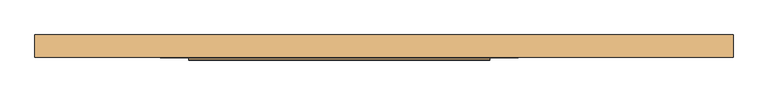
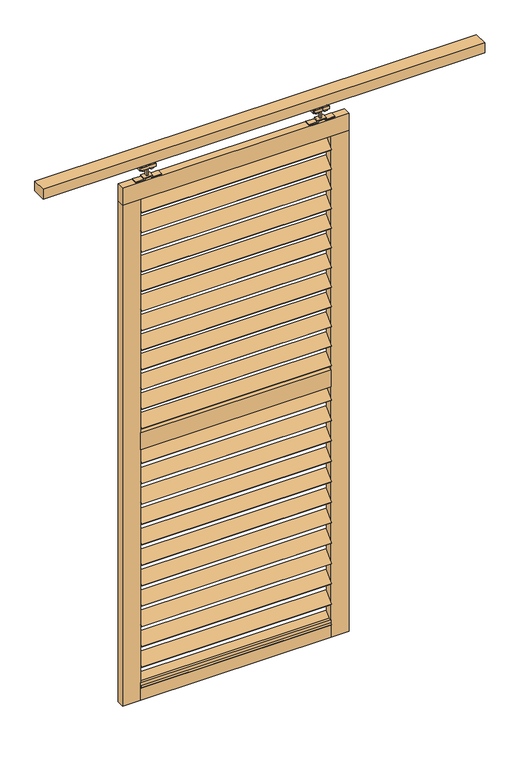
"""IFC4 building model written with IfcOpenShell, lengths in millimetres: door geometry."""

from ifc_helpers import new_model, si_unit, point, frame, frame_2d, origin, place, context, project, spatial, polyline, circle_curve, trimmed, segment, composite_curve, outline, extrude, source, transform, mapped, element, save


def door_1eaf0490(model_context):
    return source(origin(), model_context, "Body", "SweptSolid", [
        extrude(outline(polyline([(0.0, -5.0), (0.0, 0.0), (840.0, 0.0), (840.0, -5.0), (0.0, -5.0)])), frame((-472.5, -24.1880102, 2194.4281205), z_axis=(0.0, 0.7071067811865482, 0.707106781186547), x_axis=(1.0, 0.0, 0.0)), (0.0, 0.0, 1.0), 60.0),
        extrude(outline(polyline([(0.0, -5.0), (0.0, 0.0), (840.0, 0.0), (840.0, -5.0), (0.0, -5.0)])), frame((-472.5, -24.1880102, 1023.2917569), z_axis=(0.0, 0.7071067811865482, 0.707106781186547), x_axis=(1.0, 0.0, 0.0)), (0.0, 0.0, 1.0), 60.0),
        extrude(outline(polyline([(0.0, -5.0), (0.0, 0.0), (840.0, 0.0), (840.0, -5.0), (0.0, -5.0)])), frame((-472.5, -24.1880102, 2102.8372114), z_axis=(0.0, 0.7071067811865482, 0.707106781186547), x_axis=(1.0, 0.0, 0.0)), (0.0, 0.0, 1.0), 60.0),
        extrude(outline(polyline([(0.0, -5.0), (0.0, 0.0), (840.0, 0.0), (840.0, -5.0), (0.0, -5.0)])), frame((-472.5, -24.1880102, 2011.2463023), z_axis=(0.0, 0.7071067811865482, 0.707106781186547), x_axis=(1.0, 0.0, 0.0)), (0.0, 0.0, 1.0), 60.0),
        extrude(outline(polyline([(0.0, -5.0000001), (0.0, 0.0), (840.0, 0.0), (840.0, -5.0000001), (0.0, -5.0000001)])), frame((-472.5, -24.1880102, 1919.6553932), z_axis=(0.0, 0.7071067811865482, 0.707106781186547), x_axis=(1.0, 0.0, 0.0)), (0.0, 0.0, 1.0), 60.0),
        extrude(outline(polyline([(0.0, -5.0), (0.0, 0.0), (840.0, 0.0), (840.0, -5.0), (0.0, -5.0)])), frame((-472.5, -24.1880102, 1828.0644842), z_axis=(0.0, 0.7071067811865482, 0.707106781186547), x_axis=(1.0, 0.0, 0.0)), (0.0, 0.0, 1.0), 60.0),
        extrude(outline(polyline([(0.0, -5.0), (0.0, 0.0), (840.0, 0.0), (840.0, -5.0), (0.0, -5.0)])), frame((-472.5, -24.1880102, 928.0644842), z_axis=(0.0, 0.7071067811865482, 0.707106781186547), x_axis=(1.0, 0.0, 0.0)), (0.0, 0.0, 1.0), 60.0),
        extrude(outline(polyline([(0.0, -5.0), (0.0, 0.0), (840.0, 0.0), (840.0, -5.0), (0.0, -5.0)])), frame((-472.5, -24.1880102, 832.8372114), z_axis=(0.0, 0.7071067811865482, 0.707106781186547), x_axis=(1.0, 0.0, 0.0)), (0.0, 0.0, 1.0), 60.0),
        extrude(outline(polyline([(0.0, -5.0), (0.0, 0.0), (840.0, 0.0), (840.0, -5.0), (0.0, -5.0)])), frame((-472.5, -24.1880102, 737.6099387), z_axis=(0.0, 0.7071067811865482, 0.707106781186547), x_axis=(1.0, 0.0, 0.0)), (0.0, 0.0, 1.0), 60.0),
        extrude(outline(polyline([(0.0, -5.0), (0.0, 0.0), (840.0, 0.0), (840.0, -5.0), (0.0, -5.0)])), frame((-472.5, -24.1880102, 642.382666), z_axis=(0.0, 0.7071067811865482, 0.707106781186547), x_axis=(1.0, 0.0, 0.0)), (0.0, 0.0, 1.0), 60.0),
        extrude(outline(polyline([(0.0, -5.0), (0.0, 0.0), (840.0, 0.0), (840.0, -5.0), (0.0, -5.0)])), frame((-472.5, -24.1880102, 1736.4735751), z_axis=(0.0, 0.7071067811865482, 0.707106781186547), x_axis=(1.0, 0.0, 0.0)), (0.0, 0.0, 1.0), 60.0),
        extrude(outline(polyline([(0.0, -5.0), (0.0, 0.0), (840.0, 0.0), (840.0, -5.0), (0.0, -5.0)])), frame((-472.5, -24.1880102, 1644.882666), z_axis=(0.0, 0.7071067811865482, 0.707106781186547), x_axis=(1.0, 0.0, 0.0)), (0.0, 0.0, 1.0), 60.0),
        extrude(outline(polyline([(0.0, -5.0), (0.0, 0.0), (840.0, 0.0), (840.0, -5.0), (0.0, -5.0)])), frame((-472.5, -24.1880102, 1553.2917569), z_axis=(0.0, 0.7071067811865482, 0.707106781186547), x_axis=(1.0, 0.0, 0.0)), (0.0, 0.0, 1.0), 60.0),
        extrude(outline(polyline([(0.0, -5.0), (0.0, 0.0), (840.0, 0.0), (840.0, -5.0), (0.0, -5.0)])), frame((-472.5, -24.1880102, 1461.7008478), z_axis=(0.0, 0.7071067811865482, 0.707106781186547), x_axis=(1.0, 0.0, 0.0)), (0.0, 0.0, 1.0), 60.0),
        extrude(outline(polyline([(0.0, -5.0), (0.0, 0.0), (840.0, 0.0), (840.0, -5.0), (0.0, -5.0)])), frame((-472.5, -24.1880102, 1370.1099387), z_axis=(0.0, 0.7071067811865482, 0.707106781186547), x_axis=(1.0, 0.0, 0.0)), (0.0, 0.0, 1.0), 60.0),
        extrude(outline(polyline([(0.0, -5.0), (0.0, 0.0), (840.0, 0.0), (840.0, -5.0), (0.0, -5.0)])), frame((-472.5, -24.1880102, 2286.0190296), z_axis=(0.0, 0.7071067811865482, 0.707106781186547), x_axis=(1.0, 0.0, 0.0)), (0.0, 0.0, 1.0), 60.0),
        extrude(outline(polyline([(0.0, -5.0), (0.0, 0.0), (840.0, 0.0), (840.0, -5.0), (0.0, -5.0)])), frame((-472.5, -24.1880102, 1278.5190296), z_axis=(0.0, 0.7071067811865482, 0.707106781186547), x_axis=(1.0, 0.0, 0.0)), (0.0, 0.0, 1.0), 60.0),
        extrude(outline(polyline([(0.0, -5.0000001), (0.0, 0.0), (840.0, 0.0), (840.0, -5.0000001), (0.0, -5.0000001)])), frame((-472.5, -24.1880102, 547.1553932), z_axis=(0.0, 0.7071067811865482, 0.707106781186547), x_axis=(1.0, 0.0, 0.0)), (0.0, 0.0, 1.0), 60.0),
        extrude(outline(polyline([(0.0, -5.0), (0.0, 0.0), (840.0, 0.0), (840.0, -5.0), (0.0, -5.0)])), frame((-472.5, -24.1880102, 451.9281205), z_axis=(0.0, 0.7071067811865482, 0.707106781186547), x_axis=(1.0, 0.0, 0.0)), (0.0, 0.0, 1.0), 60.0),
        extrude(outline(polyline([(0.0, -5.0), (0.0, 0.0), (840.0, 0.0), (840.0, -5.0), (0.0, -5.0)])), frame((-472.5, -24.1880102, 356.7008478), z_axis=(0.0, 0.7071067811865482, 0.707106781186547), x_axis=(1.0, 0.0, 0.0)), (0.0, 0.0, 1.0), 60.0),
        extrude(outline(polyline([(0.0, -5.0), (0.0, 0.0), (840.0, 0.0), (840.0, -5.0), (0.0, -5.0)])), frame((-472.5, -24.1880102, 261.4735751), z_axis=(0.0, 0.7071067811865482, 0.707106781186547), x_axis=(1.0, 0.0, 0.0)), (0.0, 0.0, 1.0), 60.0),
        extrude(outline(polyline([(0.0, -5.0), (0.0, 0.0), (840.0, 0.0), (840.0, -5.0), (0.0, -5.0)])), frame((-472.5, -24.1880102, 166.2463023), z_axis=(0.0, 0.7071067811865482, 0.707106781186547), x_axis=(1.0, 0.0, 0.0)), (0.0, 0.0, 1.0), 60.0),
        extrude(outline(polyline([(0.0, -5.0), (0.0, 0.0), (840.0, 0.0), (840.0, -5.0), (0.0, -5.0)])), frame((-472.5, -24.1880102, 1118.5190296), z_axis=(0.0, 0.7071067811865482, 0.707106781186547), x_axis=(1.0, 0.0, 0.0)), (0.0, 0.0, 1.0), 60.0),
        extrude(outline(polyline([(0.0, -5.0), (0.0, 0.0), (840.0, 0.0), (840.0, -5.0), (0.0, -5.0)])), frame((-472.5, -24.1880102, 71.0190296), z_axis=(0.0, 0.7071067811865482, 0.707106781186547), x_axis=(1.0, 0.0, 0.0)), (0.0, 0.0, 1.0), 60.0),
        extrude(outline(polyline([(367.5, -22.2425737), (-472.5, -22.2425737), (-472.5, 12.7574263), (367.5, 12.7574263), (367.5, -22.2425737)])), frame((0.0, 0.0, 1181.5), z_axis=(0.0, 0.0, 1.0), x_axis=(1.0, 0.0, 0.0)), (0.0, 0.0, 1.0), 80.0),
        extrude(outline(polyline([(367.5, -22.2425737), (-472.5, -22.2425737), (-472.5, 12.7574263), (367.5, 12.7574263), (367.5, -22.2425737)])), frame((0.0, 0.0, 14.0), z_axis=(0.0, 0.0, 1.0), x_axis=(1.0, 0.0, 0.0)), (0.0, 0.0, 1.0), 80.0),
        extrude(outline(polyline([(447.5, -22.2425737), (-552.5, -22.2425737), (-552.5, 12.7574263), (447.5, 12.7574263), (447.5, -22.2425737)])), frame((0.0, 0.0, 2349.0), z_axis=(0.0, 0.0, 1.0), x_axis=(1.0, 0.0, 0.0)), (0.0, 0.0, 1.0), 80.0),
        extrude(outline(polyline([(-472.5, -22.2425737), (-552.5, -22.2425737), (-552.5, 12.7574263), (-472.5, 12.7574263), (-472.5, -22.2425737)])), frame((0.0, 0.0, 14.0), z_axis=(0.0, 0.0, 1.0), x_axis=(1.0, 0.0, 0.0)), (0.0, 0.0, 1.0), 2335.0),
        extrude(outline(polyline([(447.5, -22.2425737), (367.5, -22.2425737), (367.5, 12.7574263), (447.5, 12.7574263), (447.5, -22.2425737)])), frame((0.0, 0.0, 14.0), z_axis=(0.0, 0.0, 1.0), x_axis=(1.0, 0.0, 0.0)), (0.0, 0.0, 1.0), 2335.0),
        extrude(outline(composite_curve([segment(trimmed(circle_curve(frame_2d((2482.430297, -454.25)), 13.5), [point((2482.430297, -467.75))], [point((2482.430297, -440.75))], False, "CARTESIAN"), True, "CONTINUOUS"), segment(trimmed(circle_curve(frame_2d((2482.430297, -454.25)), 13.5), [point((2482.430297, -440.75))], [point((2482.430297, -467.75))], False, "CARTESIAN"), True, "CONTINUOUS")], self_intersect=False)), frame((0.0, -13.9509888, 0.0), z_axis=(0.0, 1.0, 0.0), x_axis=(0.0, 0.0, 1.0)), (0.0, 0.0, 1.0), 5.2084151),
        extrude(outline(composite_curve([segment(trimmed(circle_curve(frame_2d((2482.430297, -416.75)), 13.5), [point((2482.430297, -403.25))], [point((2482.430297, -430.25))], False, "CARTESIAN"), True, "CONTINUOUS"), segment(trimmed(circle_curve(frame_2d((2482.430297, -416.75)), 13.5), [point((2482.430297, -430.25))], [point((2482.430297, -403.25))], False, "CARTESIAN"), True, "CONTINUOUS")], self_intersect=False)), frame((0.0, -13.9509888, 0.0), z_axis=(0.0, 1.0, 0.0), x_axis=(0.0, 0.0, 1.0)), (0.0, 0.0, 1.0), 5.2084151),
        extrude(outline(composite_curve([segment(trimmed(circle_curve(frame_2d((2482.430297, -454.25)), 13.5), [point((2482.430297, -467.75))], [point((2482.430297, -440.75))], False, "CARTESIAN"), True, "CONTINUOUS"), segment(trimmed(circle_curve(frame_2d((2482.430297, -454.25)), 13.5), [point((2482.430297, -440.75))], [point((2482.430297, -467.75))], False, "CARTESIAN"), True, "CONTINUOUS")], self_intersect=False)), frame((0.0, -0.7425737, 0.0), z_axis=(0.0, 1.0, 0.0), x_axis=(0.0, 0.0, 1.0)), (0.0, 0.0, 1.0), 5.0880554),
        extrude(outline(composite_curve([segment(trimmed(circle_curve(frame_2d((2482.430297, -416.75)), 13.5), [point((2482.430297, -403.25))], [point((2482.430297, -430.25))], False, "CARTESIAN"), True, "CONTINUOUS"), segment(trimmed(circle_curve(frame_2d((2482.430297, -416.75)), 13.5), [point((2482.430297, -430.25))], [point((2482.430297, -403.25))], False, "CARTESIAN"), True, "CONTINUOUS")], self_intersect=False)), frame((0.0, -0.7425737, 0.0), z_axis=(0.0, 1.0, 0.0), x_axis=(0.0, 0.0, 1.0)), (0.0, 0.0, 1.0), 5.0880554),
        extrude(outline(polyline([(-470.5, -15.2425737), (-470.5, 5.7574263), (-400.5, 5.7574263), (-400.5, -15.2425737), (-470.5, -15.2425737)])), frame((0.0, 0.0, 2474.5), z_axis=(0.0, 0.0, 1.0), x_axis=(1.0, 0.0, 0.0)), (0.0, 0.0, 1.0), 13.0),
        extrude(outline(polyline([(-439.5, -8.7425737), (-439.5, -0.7425737), (-431.5, -0.7425737), (-431.5, -8.7425737), (-439.5, -8.7425737)])), frame((0.0, 0.0, 2433.0), z_axis=(0.0, 0.0, 1.0), x_axis=(1.0, 0.0, 0.0)), (0.0, 0.0, 1.0), 56.0),
        extrude(outline(polyline([(2433.0, -378.5), (2433.0, -416.5), (2439.0, -416.5), (2439.0, -454.5), (2433.0, -454.5), (2433.0, -492.5), (2429.0, -492.5), (2429.0, -450.5), (2435.0, -450.5), (2435.0, -420.5), (2429.0, -420.5), (2429.0, -378.5), (2433.0, -378.5)])), frame((0.0, -17.7425737, 0.0), z_axis=(0.0, 1.0, 0.0), x_axis=(0.0, 0.0, 1.0)), (0.0, 0.0, 1.0), 26.0),
        extrude(outline(composite_curve([segment(trimmed(circle_curve(frame_2d((2482.430297, 349.25)), 13.5), [point((2482.430297, 362.75))], [point((2482.430297, 335.75))], False, "CARTESIAN"), True, "CONTINUOUS"), segment(trimmed(circle_curve(frame_2d((2482.430297, 349.25)), 13.5), [point((2482.430297, 335.75))], [point((2482.430297, 362.75))], False, "CARTESIAN"), True, "CONTINUOUS")], self_intersect=False)), frame((0.0, -13.9509888, 0.0), z_axis=(0.0, 1.0, 0.0), x_axis=(0.0, 0.0, 1.0)), (0.0, 0.0, 1.0), 5.2084151),
        extrude(outline(composite_curve([segment(trimmed(circle_curve(frame_2d((2482.430297, 311.75)), 13.5), [point((2482.430297, 298.25))], [point((2482.430297, 325.25))], False, "CARTESIAN"), True, "CONTINUOUS"), segment(trimmed(circle_curve(frame_2d((2482.430297, 311.75)), 13.5), [point((2482.430297, 325.25))], [point((2482.430297, 298.25))], False, "CARTESIAN"), True, "CONTINUOUS")], self_intersect=False)), frame((0.0, -13.9509888, 0.0), z_axis=(0.0, 1.0, 0.0), x_axis=(0.0, 0.0, 1.0)), (0.0, 0.0, 1.0), 5.2084151),
        extrude(outline(composite_curve([segment(trimmed(circle_curve(frame_2d((2482.430297, 349.25)), 13.5), [point((2482.430297, 362.75))], [point((2482.430297, 335.75))], False, "CARTESIAN"), True, "CONTINUOUS"), segment(trimmed(circle_curve(frame_2d((2482.430297, 349.25)), 13.5), [point((2482.430297, 335.75))], [point((2482.430297, 362.75))], False, "CARTESIAN"), True, "CONTINUOUS")], self_intersect=False)), frame((0.0, -0.7425737, 0.0), z_axis=(0.0, 1.0, 0.0), x_axis=(0.0, 0.0, 1.0)), (0.0, 0.0, 1.0), 5.0880554),
        extrude(outline(composite_curve([segment(trimmed(circle_curve(frame_2d((2482.430297, 311.75)), 13.5), [point((2482.430297, 298.25))], [point((2482.430297, 325.25))], False, "CARTESIAN"), True, "CONTINUOUS"), segment(trimmed(circle_curve(frame_2d((2482.430297, 311.75)), 13.5), [point((2482.430297, 325.25))], [point((2482.430297, 298.25))], False, "CARTESIAN"), True, "CONTINUOUS")], self_intersect=False)), frame((0.0, -0.7425737, 0.0), z_axis=(0.0, 1.0, 0.0), x_axis=(0.0, 0.0, 1.0)), (0.0, 0.0, 1.0), 5.0880554),
        extrude(outline(polyline([(365.5, -15.2425737), (295.5, -15.2425737), (295.5, 5.7574263), (365.5, 5.7574263), (365.5, -15.2425737)])), frame((0.0, 0.0, 2474.5), z_axis=(0.0, 0.0, 1.0), x_axis=(1.0, 0.0, 0.0)), (0.0, 0.0, 1.0), 13.0),
        extrude(outline(polyline([(334.5, -8.7425737), (326.5, -8.7425737), (326.5, -0.7425737), (334.5, -0.7425737), (334.5, -8.7425737)])), frame((0.0, 0.0, 2433.0), z_axis=(0.0, 0.0, 1.0), x_axis=(1.0, 0.0, 0.0)), (0.0, 0.0, 1.0), 56.0),
        extrude(outline(polyline([(2433.0, 273.5), (2429.0, 273.5), (2429.0, 315.5), (2435.0, 315.5), (2435.0, 345.5), (2429.0, 345.5), (2429.0, 387.5), (2433.0, 387.5), (2433.0, 349.5), (2439.0, 349.5), (2439.0, 311.5), (2433.0, 311.5), (2433.0, 273.5)])), frame((0.0, -17.7425737, 0.0), z_axis=(0.0, 1.0, 0.0), x_axis=(0.0, 0.0, 1.0)), (0.0, 0.0, 1.0), 26.0),
        extrude(outline(polyline([(1047.5, 42.0), (1047.5, -20.0), (-902.5, -20.0), (-902.5, 42.0), (1047.5, 42.0)])), frame((0.0, 0.0, 2500.0), z_axis=(0.0, 0.0, 1.0), x_axis=(1.0, 0.0, 0.0)), (0.0, 0.0, 1.0), 45.0),
    ])


if __name__ == "__main__":
    model = new_model("IFC4")
    model_context = context("Model", 3, world=origin())
    ifc_project = project(units=[si_unit("LENGTHUNIT", "METRE", prefix="MILLI")], contexts=[model_context])
    site = spatial("IfcSite", under=ifc_project)
    building = spatial("IfcBuilding", under=site)
    placement = place(None, origin())
    door_shape = door_1eaf0490(model_context)
    element("IfcDoor", 1, at=placement, inside=building, context=model_context, shape_type="MappedRepresentation", body=[
        mapped(door_shape, transform((0.0, 0.0, 0.0), x_axis=(1.0, 0.0, 0.0), y_axis=(0.0, 1.0, 0.0), z_axis=(0.0, 0.0, 1.0))),
    ])
    save(model, "model.ifc")
